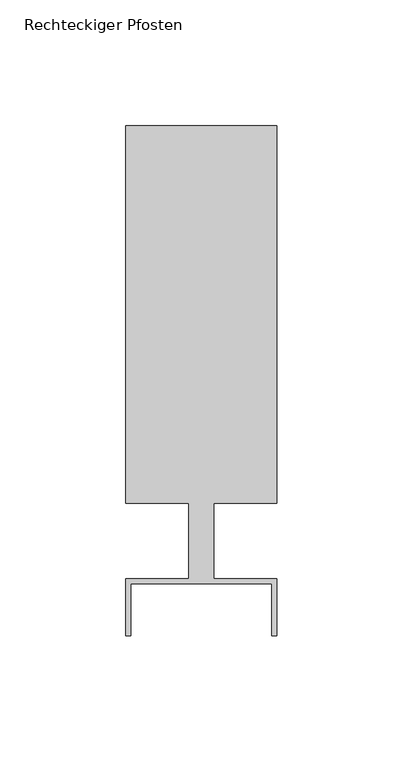
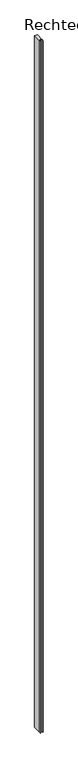
"""IFC4 building model written with IfcOpenShell, lengths in millimetres: member geometry, Rechteckiger Pfosten."""

from ifc_helpers import new_model, si_unit, frame, origin, place, context, project, spatial, polyline, outline, extrude, source, transform, mapped, element, save


def rechteckiger_pfosten_b5dc868c(model_context):
    return source(origin(), model_context, "Body", "SweptSolid", [
        extrude(outline(polyline([(-58.0, -37.5), (-60.0, -37.5), (-60.0, -15.0), (-35.0, -15.0), (-35.0, 15.0), (-60.0, 15.0), (-60.0, 165.0), (0.0, 165.0), (0.0, 15.0), (-25.0, 15.0), (-25.0, -15.0), (0.0, -15.0), (0.0, -37.5), (-2.0, -37.5), (-2.0, -17.0), (-58.0, -17.0), (-58.0, -37.5)])), frame((0.0, 0.0, -15135.0), z_axis=(0.0, 0.0, 1.0), x_axis=(1.0, 0.0, 0.0)), (0.0, 0.0, 1.0), 15135.0),
    ])


if __name__ == "__main__":
    model = new_model("IFC4")
    model_context = context("Model", 3, world=origin())
    ifc_project = project(units=[si_unit("LENGTHUNIT", "METRE", prefix="MILLI")], contexts=[model_context])
    site = spatial("IfcSite", under=ifc_project)
    building = spatial("IfcBuilding", under=site)
    placement = place(None, origin())
    rechteckiger_pfosten_shape = rechteckiger_pfosten_b5dc868c(model_context)
    element("IfcMember", 1, ObjectType="Rechteckiger Pfosten", at=placement, inside=building, context=model_context, shape_type="MappedRepresentation", body=[
        mapped(rechteckiger_pfosten_shape, transform((0.0, 0.0, 0.0), x_axis=(1.0, 0.0, 0.0), y_axis=(0.0, 1.0, 0.0), z_axis=(0.0, 0.0, 1.0))),
    ])
    save(model, "model.ifc")
